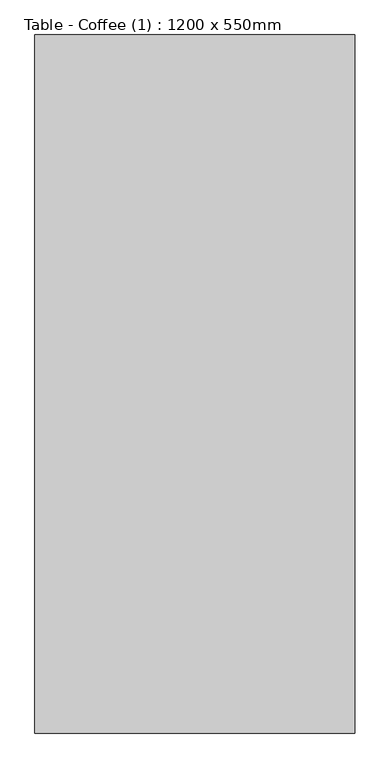
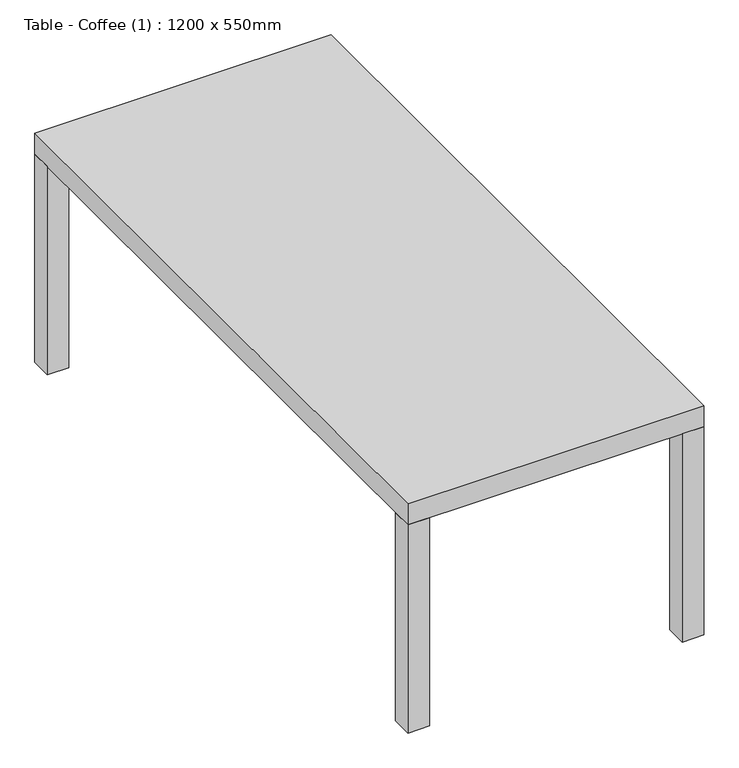
"""IFC4 building model written with IfcOpenShell, lengths in millimetres: furniture geometry, Table - Coffee (1) : 1200 x 550mm."""

from ifc_helpers import new_model, si_unit, frame, origin, origin_with_axes, place, context, project, spatial, polyline, outline, extrude, source, transform, mapped, element, save


def table_coffee_1_1200_x_550mm_821f18e6(model_context):
    return source(origin(), model_context, "Body", "SweptSolid", [
        extrude(outline(polyline([(-584.0981188, 239.3758368), (-584.0981188, 199.3758368), (-624.0981188, 199.3758368), (-624.0981188, 239.3758368), (-584.0981188, 239.3758368)])), origin_with_axes(), (0.0, 0.0, 1.0), 408.6),
        extrude(outline(polyline([(-74.0981188, 239.3758368), (-74.0981188, 199.3758368), (-114.0981188, 199.3758368), (-114.0981188, 239.3758368), (-74.0981188, 239.3758368)])), origin_with_axes(), (0.0, 0.0, 1.0), 408.6),
        extrude(outline(polyline([(-74.0981188, -920.6241632), (-74.0981188, -960.6241632), (-114.0981188, -960.6241632), (-114.0981188, -920.6241632), (-74.0981188, -920.6241632)])), origin_with_axes(), (0.0, 0.0, 1.0), 408.6),
        extrude(outline(polyline([(-624.0981188, -920.6241632), (-584.0981188, -920.6241632), (-584.0981188, -960.6241632), (-624.0981188, -960.6241632), (-624.0981188, -920.6241632)])), origin_with_axes(), (0.0, 0.0, 1.0), 408.6),
        extrude(outline(polyline([(-74.0981188, 239.3758368), (-74.0981188, -960.6241632), (-624.0981188, -960.6241632), (-624.0981188, 239.3758368), (-74.0981188, 239.3758368)])), frame((0.0, 0.0, 408.6), z_axis=(0.0, 0.0, 1.0), x_axis=(1.0, 0.0, 0.0)), (0.0, 0.0, 1.0), 41.4),
    ])


if __name__ == "__main__":
    model = new_model("IFC4")
    model_context = context("Model", 3, world=origin())
    ifc_project = project(units=[si_unit("LENGTHUNIT", "METRE", prefix="MILLI")], contexts=[model_context])
    site = spatial("IfcSite", under=ifc_project)
    building = spatial("IfcBuilding", under=site)
    placement = place(None, origin())
    table_coffee_1_1200_x_550mm_shape = table_coffee_1_1200_x_550mm_821f18e6(model_context)
    element("IfcFurniture", 1, ObjectType="Table - Coffee (1) : 1200 x 550mm", at=placement, inside=building, context=model_context, shape_type="MappedRepresentation", body=[
        mapped(table_coffee_1_1200_x_550mm_shape, transform((0.0, 0.0, 0.0), x_axis=(1.0, 0.0, 0.0), y_axis=(0.0, 1.0, 0.0), z_axis=(0.0, 0.0, 1.0))),
    ])
    save(model, "model.ifc")
